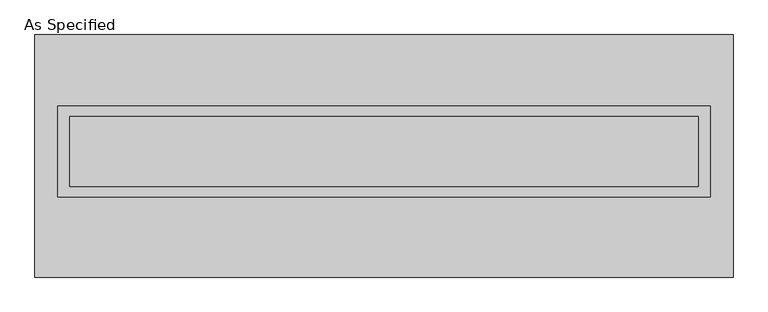
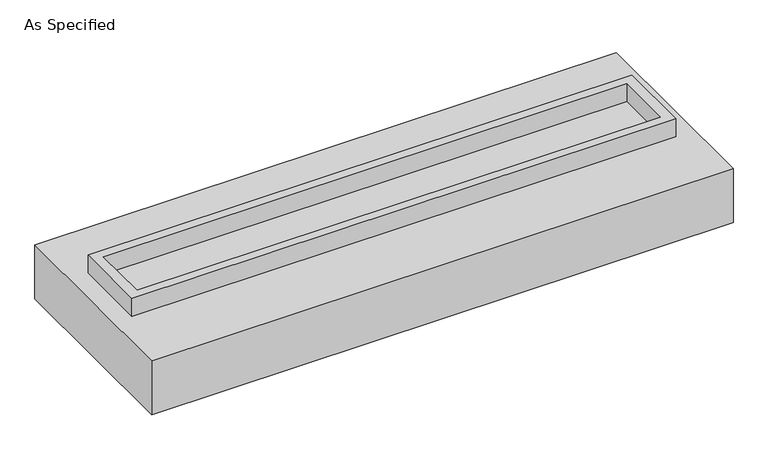
"""IFC4 building model written with IfcOpenShell, lengths in millimetres: proxy geometry, As Specified."""

import ifcopenshell
import ifcopenshell.guid

model = None  # the IFC model being written
_history = None  # IfcOwnerHistory: only IFC2X3 demands one
_inside = {}  # id of a spatial element -> (the spatial element, [elements in it])
_under = {}  # id of a project, library or spatial element -> (it, [spatial elements below it])
_declared = {}  # id of a project -> (the project, [libraries it declares])
_typed = {}  # id of a type object -> (the type object, [elements of that type])
_made_of = {}  # id of a material, layer set ... -> (it, [elements and type objects made of it])


def new_model(schema):
    """Start an empty IFC model of exactly this schema.

    Asked for "IFC4X3", IfcOpenShell would pick the latest addendum, in which some entities
    have other attributes; the version numbers below select the first issue.
    IFC2X3 requires an IfcOwnerHistory on every rooted entity: one is made here for all.
    """
    global model, _history
    if schema == "IFC4X3":
        model = ifcopenshell.file(schema_version=(4, 3, 0, 0))
    else:
        model = ifcopenshell.file(schema=schema)
    _inside.clear()
    _under.clear()
    _declared.clear()
    _typed.clear()
    _made_of.clear()
    _history = None
    if model.schema == "IFC2X3":
        org = make("IfcOrganization", Name="unknown")
        user = make(
            "IfcPersonAndOrganization",
            ThePerson=make("IfcPerson", FamilyName="unknown"),
            TheOrganization=org,
        )
        app = make(
            "IfcApplication",
            ApplicationDeveloper=org,
            Version="unknown",
            ApplicationFullName="unknown",
            ApplicationIdentifier="unknown",
        )
        _history = make(
            "IfcOwnerHistory",
            OwningUser=user,
            OwningApplication=app,
            ChangeAction="ADDED",
            CreationDate=0,
        )
    return model


def make(cls, **values):
    """One entity of the class cls with the attributes given. An attribute that is None is left unset."""
    return model.create_entity(
        cls, **{name: value for name, value in values.items() if value is not None}
    )


def rooted(cls, **values):
    """An entity with a GlobalId (a new one), such as an element, a storey or a relation."""
    return make(cls, GlobalId=ifcopenshell.guid.new(), OwnerHistory=_history, **values)


def si_unit(unit_type, name, prefix=None):
    """IfcSIUnit, for example si_unit("LENGTHUNIT", "METRE", prefix="MILLI")."""
    return make("IfcSIUnit", UnitType=unit_type, Prefix=prefix, Name=name)


def assignment(units):
    """IfcUnitAssignment: the units of a project."""
    return None if units is None else make("IfcUnitAssignment", Units=units)


def point(xyz):
    """IfcCartesianPoint."""
    return None if xyz is None else make("IfcCartesianPoint", Coordinates=xyz)


def direction(xyz):
    """IfcDirection."""
    return None if xyz is None else make("IfcDirection", DirectionRatios=xyz)


def frame(location, z_axis=None, x_axis=None):
    """IfcAxis2Placement3D, a coordinate frame: its origin and axes. An axis left out is left unset."""
    return make(
        "IfcAxis2Placement3D",
        Location=point(location),
        Axis=direction(z_axis),
        RefDirection=direction(x_axis),
    )


def origin():
    """The frame at (0, 0, 0) with its axes left unset."""
    return frame((0.0, 0.0, 0.0))


def place(relative_to, where):
    """IfcLocalPlacement: puts the frame where relative to a parent placement (None: the world)."""
    return make(
        "IfcLocalPlacement", PlacementRelTo=relative_to, RelativePlacement=where
    )


def context(
    kind, dimensions, precision=None, world=None, true_north=None, identifier=None
):
    """IfcGeometricRepresentationContext, for example the 3D "Model" context."""
    return make(
        "IfcGeometricRepresentationContext",
        ContextIdentifier=identifier,
        ContextType=kind,
        CoordinateSpaceDimension=dimensions,
        Precision=precision,
        WorldCoordinateSystem=world,
        TrueNorth=true_north,
    )


def project(units=None, contexts=None):
    """IfcProject with its units and contexts."""
    return rooted(
        "IfcProject",
        Name="project",
        RepresentationContexts=contexts,
        UnitsInContext=assignment(units),
    )


def spatial(cls, under=None, at=None, **own):
    """A site, building, storey or space (cls), placed at a placement, below another one or the project."""
    s = rooted(cls, ObjectPlacement=at, **own)
    if under is not None:
        _under.setdefault(under.id(), (under, []))[1].append(s)
    return s


def polyline(points):
    """IfcPolyline through the points."""
    return make("IfcPolyline", Points=[point(p) for p in points])


def outline(outer, holes=None, kind="AREA"):
    """IfcArbitraryClosedProfileDef: a profile drawn as a closed curve; with holes, ...WithVoids."""
    if holes is None:
        return make("IfcArbitraryClosedProfileDef", ProfileType=kind, OuterCurve=outer)
    return make(
        "IfcArbitraryProfileDefWithVoids",
        ProfileType=kind,
        OuterCurve=outer,
        InnerCurves=holes,
    )


def extrude(swept, where, along, depth):
    """IfcExtrudedAreaSolid: the profile swept, set in the frame where, extruded along a direction by depth."""
    return make(
        "IfcExtrudedAreaSolid",
        SweptArea=swept,
        Position=where,
        ExtrudedDirection=direction(along),
        Depth=depth,
    )


def shape(context_of_items, identifier, shape_type, items):
    """IfcShapeRepresentation: the items that make up one representation, for example the "Body"."""
    return make(
        "IfcShapeRepresentation",
        ContextOfItems=context_of_items,
        RepresentationIdentifier=identifier,
        RepresentationType=shape_type,
        Items=items,
    )


def source(mapping_origin, context_of_items, identifier, shape_type, items):
    """IfcRepresentationMap: a shape defined once, which mapped items show again and again."""
    return make(
        "IfcRepresentationMap",
        MappingOrigin=mapping_origin,
        MappedRepresentation=shape(context_of_items, identifier, shape_type, items),
    )


def transform(
    local_origin,
    x_axis=None,
    y_axis=None,
    z_axis=None,
    scale=None,
    scale2=None,
    scale3=None,
    uniform=True,
):
    """IfcCartesianTransformationOperator3D, or its non-uniform kind. x_axis, y_axis, z_axis: its Axis1, 2, 3."""
    if uniform:
        return make(
            "IfcCartesianTransformationOperator3D",
            Axis1=direction(x_axis),
            Axis2=direction(y_axis),
            LocalOrigin=point(local_origin),
            Scale=scale,
            Axis3=direction(z_axis),
        )
    return make(
        "IfcCartesianTransformationOperator3DnonUniform",
        Axis1=direction(x_axis),
        Axis2=direction(y_axis),
        LocalOrigin=point(local_origin),
        Scale=scale,
        Axis3=direction(z_axis),
        Scale2=scale2,
        Scale3=scale3,
    )


def mapped(mapping_source, mapping_target):
    """IfcMappedItem: shows the shape of a source again, moved by a transform."""
    return make(
        "IfcMappedItem", MappingSource=mapping_source, MappingTarget=mapping_target
    )


def made_of(thing, what):
    """Note that an element or type object is made of a material, layer set ...; save() writes the relation."""
    if what is not None:
        _made_of.setdefault(what.id(), (what, []))[1].append(thing)
    return thing


def element(
    cls,
    number,
    at=None,
    inside=None,
    cuts=None,
    type_object=None,
    material=None,
    context=None,
    identifier="Body",
    shape_type=None,
    held_by="IfcProductDefinitionShape",
    body=None,
    shapes=None,
    **own,
):
    """One element of the class cls, such as IfcWall. Its Tag is "e" and its number.

    at: its placement. inside: the storey or other place that contains it. cuts: it is an
    opening in that element (IfcRelVoidsElement). A single representation is given by context,
    identifier, shape_type and body (its items); several are given by shapes. held_by: the class
    of the entity that holds the representations. save() writes the other relations.
    """
    e = rooted(cls, Tag="e%d" % number, ObjectPlacement=at, **own)
    if body is not None:
        shapes = [shape(context, identifier, shape_type, body)]
    if shapes is not None:
        e.Representation = make(held_by, Representations=shapes)
    if inside is not None:
        _inside.setdefault(inside.id(), (inside, []))[1].append(e)
    if cuts is not None:
        rooted(
            "IfcRelVoidsElement", RelatingBuildingElement=cuts, RelatedOpeningElement=e
        )
    if type_object is not None:
        _typed.setdefault(type_object.id(), (type_object, []))[1].append(e)
    return made_of(e, material)


def aggregate(whole, parts):
    """IfcRelAggregates: a whole, such as a stair, and the parts it consists of."""
    return rooted("IfcRelAggregates", RelatingObject=whole, RelatedObjects=parts)


def save(model, path):
    """Write the relations noted so far, then the file.

    IfcRelAggregates (storeys below a building ...), IfcRelContainedInSpatialStructure (elements
    in a storey), IfcRelDefinesByType, IfcRelAssociatesMaterial and IfcRelDeclares: one each for
    every whole, place, type object, material and project.
    """
    for whole, parts in _under.values():
        aggregate(whole, parts)
    for where, things in _inside.values():
        rooted(
            "IfcRelContainedInSpatialStructure",
            RelatedElements=things,
            RelatingStructure=where,
        )
    for kind, things in _typed.values():
        rooted("IfcRelDefinesByType", RelatedObjects=things, RelatingType=kind)
    for what, things in _made_of.values():
        rooted("IfcRelAssociatesMaterial", RelatedObjects=things, RelatingMaterial=what)
    for by, libraries in _declared.values():
        rooted("IfcRelDeclares", RelatingContext=by, RelatedDefinitions=libraries)
    model.write(path)


def as_specified_d4a3e575(model_context):
    return source(origin(), model_context, "Body", "SweptSolid", [
        extrude(outline(polyline([(2374.9, 361.95), (2374.9, -298.45), (-2374.9, -298.45), (-2374.9, 361.95), (2374.9, 361.95)]), holes=[polyline([(2286.0, 285.75), (-2286.0, 285.75), (-2286.0, -222.25), (2286.0, -222.25), (2286.0, 285.75)])]), frame((0.0, 0.0, -688.975), z_axis=(0.0, 0.0, 1.0), x_axis=(1.0, 0.0, 0.0)), (0.0, 0.0, 1.0), 165.1),
        extrude(outline(polyline([(2374.9, 361.95), (2374.9, -298.45), (-2374.9, -298.45), (-2374.9, 361.95), (2374.9, 361.95)]), holes=[polyline([(2286.0, 285.75), (-2286.0, 285.75), (-2286.0, -222.25), (2286.0, -222.25), (2286.0, 285.75)])]), frame((0.0, 0.0, -25.4), z_axis=(0.0, 0.0, 1.0), x_axis=(1.0, 0.0, 0.0)), (0.0, 0.0, 1.0), 165.1),
        extrude(outline(polyline([(2286.0, 285.75), (2286.0, -222.25), (-2286.0, -222.25), (-2286.0, 285.75), (2286.0, 285.75)])), frame((0.0, 0.0, -523.875), z_axis=(0.0, 0.0, 1.0), x_axis=(1.0, 0.0, 0.0)), (0.0, 0.0, 1.0), 4.9609375),
        extrude(outline(polyline([(2286.0, 285.75), (2286.0, -222.25), (-2286.0, -222.25), (-2286.0, 285.75), (2286.0, 285.75)])), frame((0.0, 0.0, -30.3609375), z_axis=(0.0, 0.0, 1.0), x_axis=(1.0, 0.0, 0.0)), (0.0, 0.0, 1.0), 4.9609375),
        extrude(outline(polyline([(2540.0, -882.65), (-2540.0, -882.65), (-2540.0, 882.65), (2540.0, 882.65), (2540.0, -882.65)]), holes=[polyline([(-2374.9, 361.95), (-2374.9, -298.45), (2374.9, -298.45), (2374.9, 361.95), (-2374.9, 361.95)])]), frame((0.0, 0.0, -523.875), z_axis=(0.0, 0.0, 1.0), x_axis=(1.0, 0.0, 0.0)), (0.0, 0.0, 1.0), 498.475),
    ])


if __name__ == "__main__":
    model = new_model("IFC4")
    model_context = context("Model", 3, world=origin())
    ifc_project = project(units=[si_unit("LENGTHUNIT", "METRE", prefix="MILLI")], contexts=[model_context])
    site = spatial("IfcSite", under=ifc_project)
    building = spatial("IfcBuilding", under=site)
    placement = place(None, origin())
    as_specified_shape = as_specified_d4a3e575(model_context)
    element("IfcBuildingElementProxy", 1, Name="As Specified", ObjectType="As Specified", at=placement, inside=building, context=model_context, shape_type="MappedRepresentation", body=[
        mapped(as_specified_shape, transform((0.0, 0.0, 0.0), x_axis=(1.0, 0.0, 0.0), y_axis=(0.0, 1.0, 0.0), z_axis=(0.0, 0.0, 1.0))),
    ])
    save(model, "model.ifc")
